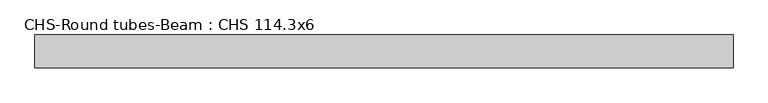
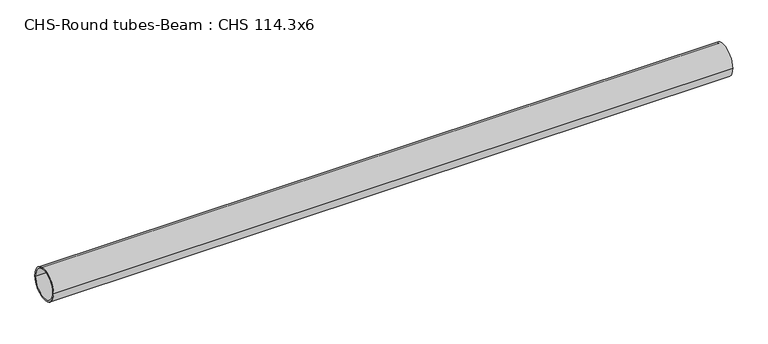
"""IFC4 building model written with IfcOpenShell, lengths in millimetres: beam geometry, CHS-Round tubes-Beam : CHS 114.3x6."""

from ifc_helpers import new_model, si_unit, point, frame, origin, origin_2d, place, context, project, spatial, circle_curve, trimmed, segment, composite_curve, outline, extrude, source, transform, mapped, element, save


def chs_round_tubes_beam_chs_114_3x6_3b2f2e7a(model_context):
    return source(origin(), model_context, "Body", "SweptSolid", [
        extrude(outline(composite_curve([segment(trimmed(circle_curve(origin_2d(), 57.15), [point((57.15, 0.0))], [point((-57.15, 0.0))], False, "CARTESIAN"), True, "CONTINUOUS"), segment(trimmed(circle_curve(origin_2d(), 57.15), [point((-57.15, 0.0))], [point((57.15, 0.0))], False, "CARTESIAN"), True, "CONTINUOUS")], self_intersect=False), holes=[composite_curve([segment(trimmed(circle_curve(origin_2d(), 51.15), [point((51.15, 0.0))], [point((-51.15, 0.0))], True, "CARTESIAN"), True, "CONTINUOUS"), segment(trimmed(circle_curve(origin_2d(), 51.15), [point((-51.15, 0.0))], [point((51.15, 0.0))], True, "CARTESIAN"), True, "CONTINUOUS")], self_intersect=False)]), frame((-1184.2350631, 0.0, 0.0), z_axis=(1.0, 0.0, 0.0), x_axis=(0.0, 1.0, 0.0)), (0.0, 0.0, 1.0), 2423.0214991),
    ])


if __name__ == "__main__":
    model = new_model("IFC4")
    model_context = context("Model", 3, world=origin())
    ifc_project = project(units=[si_unit("LENGTHUNIT", "METRE", prefix="MILLI")], contexts=[model_context])
    site = spatial("IfcSite", under=ifc_project)
    building = spatial("IfcBuilding", under=site)
    placement = place(None, origin())
    chs_round_tubes_beam_chs_114_3x6_shape = chs_round_tubes_beam_chs_114_3x6_3b2f2e7a(model_context)
    element("IfcBeam", 1, ObjectType="CHS-Round tubes-Beam : CHS 114.3x6", at=placement, inside=building, context=model_context, shape_type="MappedRepresentation", body=[
        mapped(chs_round_tubes_beam_chs_114_3x6_shape, transform((0.0, 0.0, 0.0), x_axis=(1.0, 0.0, 0.0), y_axis=(0.0, 1.0, 0.0), z_axis=(0.0, 0.0, 1.0))),
    ])
    save(model, "model.ifc")
